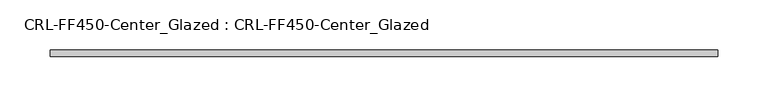
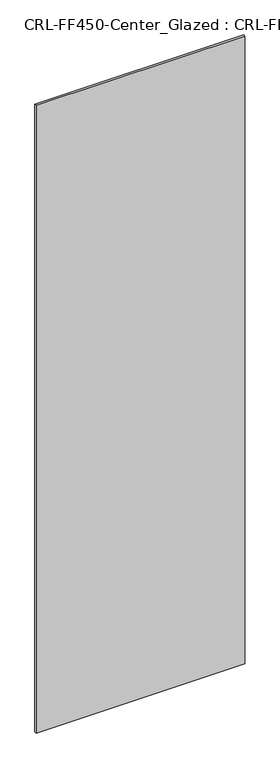
"""IFC4 building model written with IfcOpenShell, lengths in millimetres: plate geometry, CRL-FF450-Center_Glazed : CRL-FF450-Center_Glazed."""

from ifc_helpers import new_model, si_unit, origin, origin_with_axes, place, context, project, spatial, polyline, outline, extrude, source, transform, mapped, element, save


def crl_ff450_center_glazed_crl_ff450_center_glazed_d6892800(model_context):
    return source(origin(), model_context, "Body", "SweptSolid", [
        extrude(outline(polyline([(332.5812299, 3.1749999), (332.5812299, -3.1749999), (-332.5812299, -3.1749999), (-332.5812299, 3.1749999), (332.5812299, 3.1749999)])), origin_with_axes(), (0.0, 0.0, 1.0), 2114.5499801),
    ])


if __name__ == "__main__":
    model = new_model("IFC4")
    model_context = context("Model", 3, world=origin())
    ifc_project = project(units=[si_unit("LENGTHUNIT", "METRE", prefix="MILLI")], contexts=[model_context])
    site = spatial("IfcSite", under=ifc_project)
    building = spatial("IfcBuilding", under=site)
    placement = place(None, origin())
    crl_ff450_center_glazed_crl_ff450_center_glazed_shape = crl_ff450_center_glazed_crl_ff450_center_glazed_d6892800(model_context)
    element("IfcPlate", 1, ObjectType="CRL-FF450-Center_Glazed : CRL-FF450-Center_Glazed", at=placement, inside=building, context=model_context, shape_type="MappedRepresentation", body=[
        mapped(crl_ff450_center_glazed_crl_ff450_center_glazed_shape, transform((0.0, 0.0, 0.0), x_axis=(1.0, 0.0, 0.0), y_axis=(0.0, 1.0, 0.0), z_axis=(0.0, 0.0, 1.0))),
    ])
    save(model, "model.ifc")
